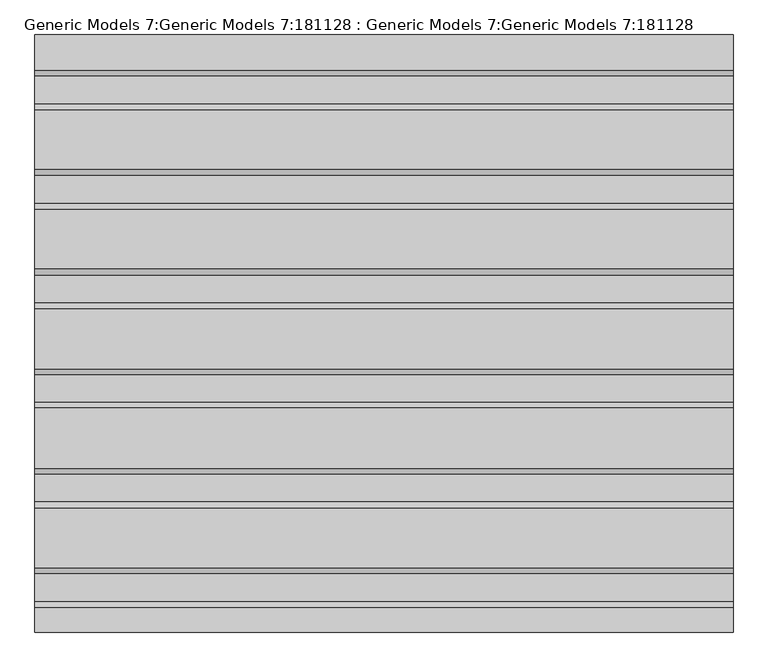
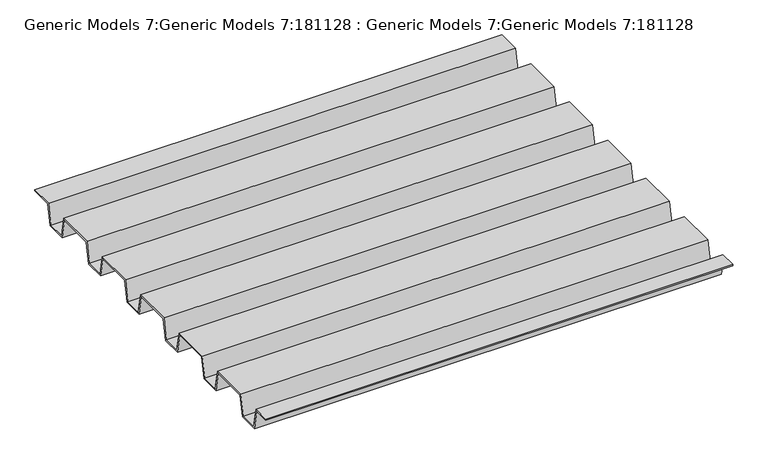
"""IFC4 building model written with IfcOpenShell, lengths in millimetres: proxy geometry, Generic Models 7:Generic Models 7:181128 : Generic Models 7:Generic Models 7:181128."""

from ifc_helpers import new_model, si_unit, frame, origin, place, context, project, spatial, polyline, outline, extrude, source, transform, mapped, element, save


def generic_models_7_generic_models_7_181128_generic_models_7_676abe22(model_context):
    return source(origin(), model_context, "Body", "SweptSolid", [
        extrude(outline(polyline([(-19484.7514268, 4521.2), (-19532.4317553, 4521.2), (-19541.3614428, 4568.825), (-19576.8264268, 4568.825), (-19576.8264268, 4572.0), (-19538.7264268, 4572.0), (-19529.7967393, 4524.375), (-19487.3864428, 4524.375), (-19478.4567553, 4572.0), (-19386.3264268, 4572.0), (-19377.3967393, 4524.375), (-19334.9864428, 4524.375), (-19326.0567553, 4572.0), (-19233.9264268, 4572.0), (-19224.9967393, 4524.375), (-19182.5864428, 4524.375), (-19173.6567553, 4572.0), (-19081.5264268, 4572.0), (-19072.5967393, 4524.375), (-19030.1864428, 4524.375), (-19021.2567553, 4572.0), (-18929.1264268, 4572.0), (-18920.1967393, 4524.375), (-18877.7864428, 4524.375), (-18868.8567553, 4572.0), (-18776.7264268, 4572.0), (-18767.7967393, 4524.375), (-18725.3864428, 4524.375), (-18716.4567553, 4572.0), (-18662.4264268, 4572.0), (-18662.4264268, 4568.825), (-18713.8217393, 4568.825), (-18722.7514268, 4521.2), (-18770.4317553, 4521.2), (-18779.3614428, 4568.825), (-18866.2217393, 4568.825), (-18875.1514268, 4521.2), (-18922.8317553, 4521.2), (-18931.7614428, 4568.825), (-19018.6217393, 4568.825), (-19027.5514268, 4521.2), (-19075.2317553, 4521.2), (-19084.1614428, 4568.825), (-19171.0217393, 4568.825), (-19179.9514268, 4521.2), (-19227.6317553, 4521.2), (-19236.5614428, 4568.825), (-19323.4217393, 4568.825), (-19332.3514268, 4521.2), (-19380.0317553, 4521.2), (-19388.9614428, 4568.825), (-19475.8217393, 4568.825), (-19484.7514268, 4521.2)])), frame((36536.9618587, 0.0, 0.0), z_axis=(1.0, 0.0, 0.0), x_axis=(0.0, 1.0, 0.0)), (0.0, 0.0, 1.0), 1068.3091581),
    ])


if __name__ == "__main__":
    model = new_model("IFC4")
    model_context = context("Model", 3, world=origin())
    ifc_project = project(units=[si_unit("LENGTHUNIT", "METRE", prefix="MILLI")], contexts=[model_context])
    site = spatial("IfcSite", under=ifc_project)
    building = spatial("IfcBuilding", under=site)
    placement = place(None, origin())
    generic_models_7_generic_models_7_181128_generic_models_7_shape = generic_models_7_generic_models_7_181128_generic_models_7_676abe22(model_context)
    element("IfcBuildingElementProxy", 1, Name="Generic Models 7:Generic Models 7:181128 : Generic Models 7:Generic Models 7:181128", ObjectType="Generic Models 7:Generic Models 7:181128 : Generic Models 7:Generic Models 7:181128", at=placement, inside=building, context=model_context, shape_type="MappedRepresentation", body=[
        mapped(generic_models_7_generic_models_7_181128_generic_models_7_shape, transform((0.0, 0.0, 0.0), x_axis=(1.0, 0.0, 0.0), y_axis=(0.0, 1.0, 0.0), z_axis=(0.0, 0.0, 1.0))),
    ])
    save(model, "model.ifc")
